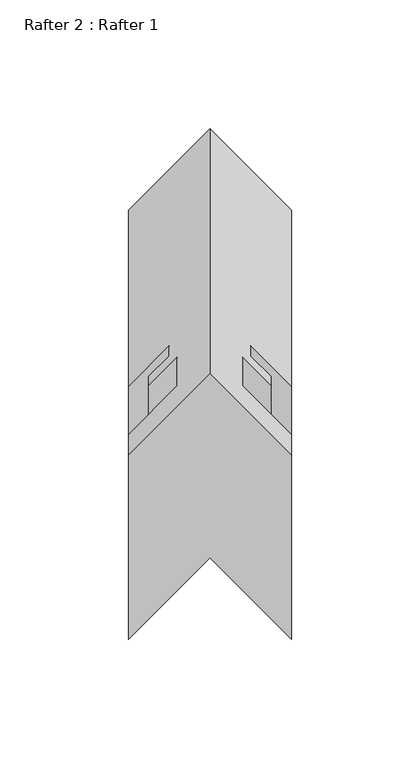
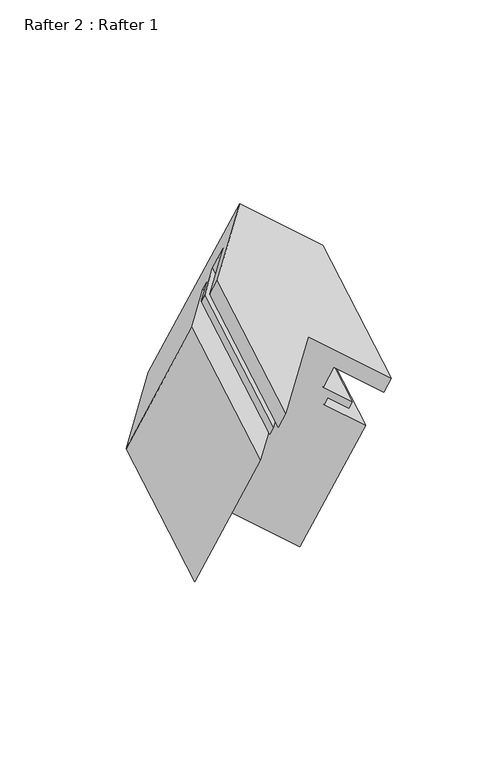
"""IFC4 building model written with IfcOpenShell, lengths in millimetres: proxy geometry, Rafter 2 : Rafter 1."""

from ifc_helpers import new_model, si_unit, origin, place, context, project, spatial, faceted_brep, source, transform, mapped, element, save


def rafter_2_rafter_1_243c65c9(model_context):
    return source(origin(), model_context, "Body", "Brep", [
        faceted_brep([(13582.3622101, 12390.7611978, 2004.2899176), (13582.3622101, 12462.3798453, 2045.6389631), (13550.6122101, 12494.1298453, 2063.9698341), (13518.8622101, 12462.3798453, 2045.6389631), (13518.8622101, 12390.7611978, 2004.2899176), (13550.6122101, 12422.5111978, 2022.6207887), (13582.3622101, 12398.6986978, 1990.5417643), (13582.3622101, 12470.3173453, 2031.8908098), (13563.3122101, 12417.7486978, 2001.540287), (13563.3122101, 12489.3673453, 2042.8893324), (13563.3122101, 12428.9881978, 1982.0729019), (13563.3122101, 12500.6068453, 2023.4219474), (13574.4374101, 12417.8629978, 1975.6497647), (13574.4374101, 12489.4816453, 2016.9988102), (13574.4374101, 12421.4443978, 1969.4465979), (13574.4374101, 12493.0630453, 2010.7956434), (13566.4872101, 12429.3945978, 1974.036648), (13566.4872101, 12501.0132453, 2015.3856935), (13566.4872101, 12433.3442978, 1967.195567), (13566.4872101, 12504.9629453, 2008.5446124), (13582.3622101, 12417.4692978, 1958.0301314), (13582.3622101, 12489.0879453, 1999.3791769), (13582.3622101, 12486.1381978, 1839.0921077), (13582.3622101, 12557.7568453, 1880.4411532), (13550.6122101, 12517.8881978, 1857.4229788), (13518.8622101, 12486.1381978, 1839.0921077), (13518.8622101, 12557.7568453, 1880.4411532), (13550.6122101, 12589.5068453, 1898.7720243), (13518.8622101, 12417.4692978, 1958.0301314), (13518.8622101, 12489.0879453, 1999.3791769), (13534.7372101, 12433.3442978, 1967.195567), (13534.7372101, 12504.9629453, 2008.5446124), (13534.7372101, 12429.3945978, 1974.036648), (13534.7372101, 12501.0132453, 2015.3856935), (13526.7870101, 12421.4443978, 1969.4465979), (13526.7870101, 12493.0630453, 2010.7956434), (13526.7870101, 12417.8629978, 1975.6497647), (13526.7870101, 12489.4816453, 2016.9988102), (13537.9122101, 12428.9881978, 1982.0729019), (13537.9122101, 12500.6068453, 2023.4219474), (13537.9122101, 12417.7486978, 2001.540287), (13537.9122101, 12489.3673453, 2042.8893324), (13518.8622101, 12398.6986978, 1990.5417643), (13518.8622101, 12470.3173453, 2031.8908098)], [[[0, 1, 2, 3, 4, 5]], [[1, 0, 6, 7]], [[7, 6, 8, 9]], [[9, 8, 10, 11]], [[11, 10, 12, 13]], [[13, 12, 14, 15]], [[15, 14, 16, 17]], [[17, 16, 18, 19]], [[19, 18, 20, 21]], [[21, 20, 22, 23]], [[23, 22, 24, 25, 26, 27]], [[26, 25, 28, 29]], [[29, 28, 30, 31]], [[31, 30, 32, 33]], [[33, 32, 34, 35]], [[35, 34, 36, 37]], [[37, 36, 38, 39]], [[39, 38, 40, 41]], [[41, 40, 42, 43]], [[43, 42, 4, 3]], [[24, 5, 4, 42, 40, 38, 36, 34, 32, 30, 28, 25]], [[5, 24, 22, 20, 18, 16, 14, 12, 10, 8, 6, 0]], [[2, 27, 26, 29, 31, 33, 35, 37, 39, 41, 43, 3]], [[27, 2, 1, 7, 9, 11, 13, 15, 17, 19, 21, 23]]]),
    ])


if __name__ == "__main__":
    model = new_model("IFC4")
    model_context = context("Model", 3, world=origin())
    ifc_project = project(units=[si_unit("LENGTHUNIT", "METRE", prefix="MILLI")], contexts=[model_context])
    site = spatial("IfcSite", under=ifc_project)
    building = spatial("IfcBuilding", under=site)
    placement = place(None, origin())
    rafter_2_rafter_1_shape = rafter_2_rafter_1_243c65c9(model_context)
    element("IfcBuildingElementProxy", 1, Name="Rafter 2 : Rafter 1", ObjectType="Rafter 2 : Rafter 1", at=placement, inside=building, context=model_context, shape_type="MappedRepresentation", body=[
        mapped(rafter_2_rafter_1_shape, transform((0.0, 0.0, 0.0), x_axis=(1.0, 0.0, 0.0), y_axis=(0.0, 1.0, 0.0), z_axis=(0.0, 0.0, 1.0))),
    ])
    save(model, "model.ifc")
